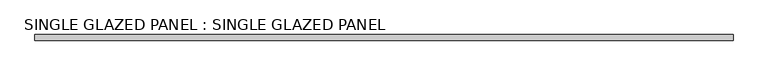
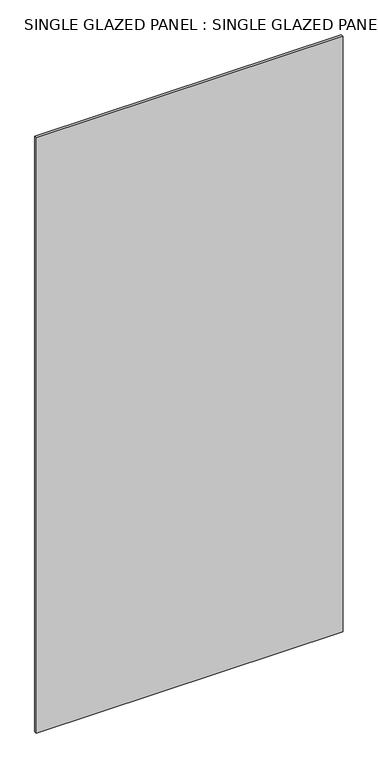
"""IFC4 building model written with IfcOpenShell, lengths in millimetres: plate geometry, SINGLE GLAZED PANEL : SINGLE GLAZED PANEL."""

from ifc_helpers import new_model, si_unit, origin, origin_with_axes, place, context, project, spatial, polyline, outline, extrude, source, transform, mapped, element, save


def single_glazed_panel_single_glazed_panel_9de8b9d0(model_context):
    return source(origin(), model_context, "Body", "SweptSolid", [
        extrude(outline(polyline([(741.3625, 6.35), (741.3625, -6.35), (-741.3625, -6.35), (-741.3625, 6.35), (741.3625, 6.35)])), origin_with_axes(), (0.0, 0.0, 1.0), 3041.65),
    ])


if __name__ == "__main__":
    model = new_model("IFC4")
    model_context = context("Model", 3, world=origin())
    ifc_project = project(units=[si_unit("LENGTHUNIT", "METRE", prefix="MILLI")], contexts=[model_context])
    site = spatial("IfcSite", under=ifc_project)
    building = spatial("IfcBuilding", under=site)
    placement = place(None, origin())
    single_glazed_panel_single_glazed_panel_shape = single_glazed_panel_single_glazed_panel_9de8b9d0(model_context)
    element("IfcPlate", 1, ObjectType="SINGLE GLAZED PANEL : SINGLE GLAZED PANEL", at=placement, inside=building, context=model_context, shape_type="MappedRepresentation", body=[
        mapped(single_glazed_panel_single_glazed_panel_shape, transform((0.0, 0.0, 0.0), x_axis=(1.0, 0.0, 0.0), y_axis=(0.0, 1.0, 0.0), z_axis=(0.0, 0.0, 1.0))),
    ])
    save(model, "model.ifc")
